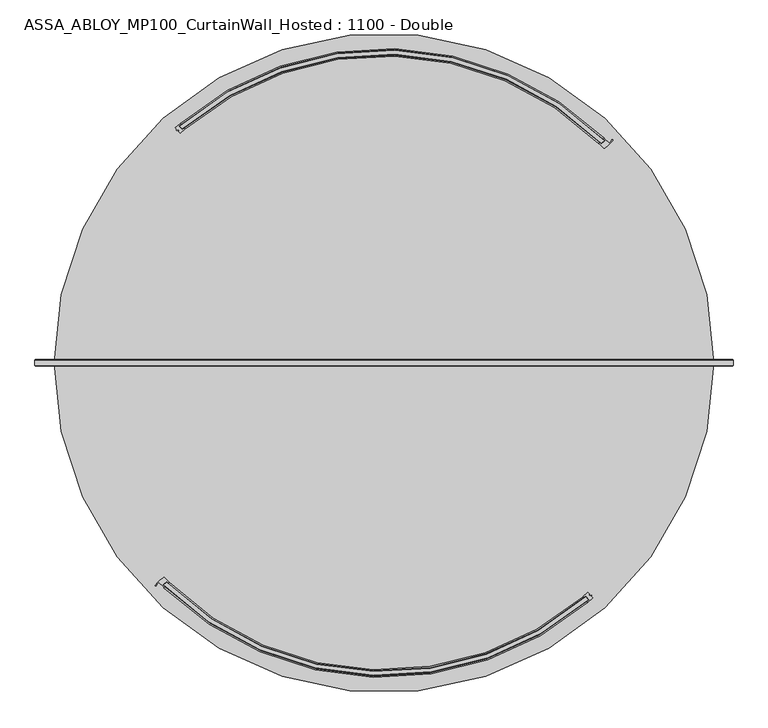
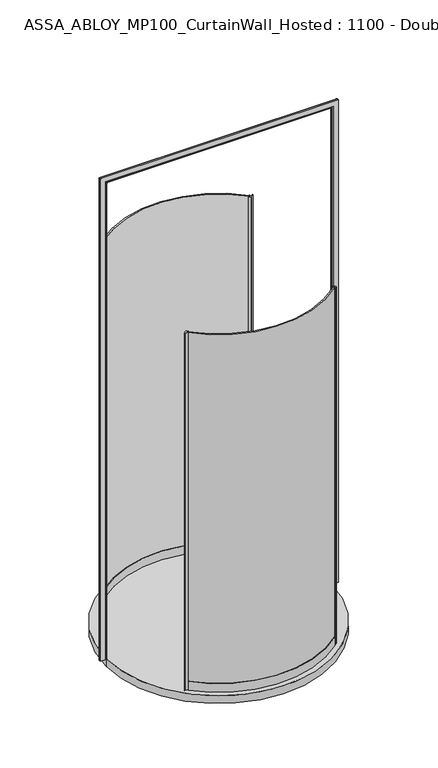
"""IFC4 building model written with IfcOpenShell, lengths in millimetres: plate geometry, ASSA_ABLOY_MP100_CurtainWall_Hosted : 1100 - Double."""

from ifc_helpers import new_model, si_unit, point, frame, origin, origin_with_axes, origin_2d, place, context, project, spatial, polyline, circle_curve, ellipse_curve, trimmed, segment, composite_curve, outline, extrude, source, transform, mapped, element, save
from ifc_brep_helpers import plane_surface, cylinder_surface, revolved_surface, advanced_brep


def assa_abloy_mp100_curtainwall_hosted_1100_double_17d88343(model_context):
    return source(origin(), model_context, "Body", "SolidModel", [
        extrude(outline(composite_curve([segment(trimmed(circle_curve(origin_2d(), 838.5), [point((-589.9937964, -595.8100119))], [point((547.3022385, -635.2499585))], True, "CARTESIAN"), True, "CONTINUOUS"), segment(polyline([(547.3022385, -635.2499585), (553.7856646, -642.8636619)]), True, "CONTINUOUS"), segment(trimmed(circle_curve(origin_2d(), 848.5), [point((553.7856646, -642.8636619))], [point((-596.9877233, -602.9576338))], False, "CARTESIAN"), True, "CONTINUOUS"), segment(polyline([(-596.9877233, -602.9576338), (-589.9937964, -595.8100119)]), True, "CONTINUOUS")], self_intersect=False)), origin_with_axes(), (0.0, 0.0, 1.0), 3000.0),
        extrude(outline(composite_curve([segment(polyline([(553.2153363, -623.4380817), (557.6356913, -628.629052), (555.7322968, -630.2498818), (558.0014585, -632.9146341), (562.4711305, -630.7907524), (563.189663, -631.6345491), (561.8437866, -633.5707587), (566.1846095, -638.6683317)]), True, "CONTINUOUS"), segment(trimmed(circle_curve(origin_2d(), 853.5), [point((566.1846095, -638.6683317))], [point((553.3513022, -649.8188874))], False, "CARTESIAN"), True, "CONTINUOUS"), segment(polyline([(553.3513022, -649.8188874), (551.4063064, -647.534814)]), True, "CONTINUOUS"), segment(trimmed(circle_curve(origin_2d(), 850.5), [point((551.4063064, -647.534814))], [point((556.7171345, -642.974558))], True, "CARTESIAN"), True, "CONTINUOUS"), segment(polyline([(556.7171345, -642.974558), (547.6401749, -632.3151816)]), True, "CONTINUOUS"), segment(trimmed(circle_curve(origin_2d(), 836.5), [point((547.6401749, -632.3151816))], [point((542.1769315, -637.005828))], False, "CARTESIAN"), True, "CONTINUOUS"), segment(polyline([(542.1769315, -637.005828), (540.3846636, -634.5917313)]), True, "CONTINUOUS"), segment(trimmed(circle_curve(origin_2d(), 833.5), [point((540.3846636, -634.5917313))], [point((553.2153363, -623.4380817))], True, "CARTESIAN"), True, "CONTINUOUS")], self_intersect=False)), origin_with_axes(), (0.0, 0.0, 1.0), 3000.0),
        advanced_brep(
        [(-589.9934713, -592.989238, 0.0), (-599.6948043, -603.085211, 0.0), (-594.6833962, -607.9727962, 0.0), (-596.7620171, -610.1359732, 0.0), (-610.6082601, -596.2698104, 0.0), (-617.7731984, -604.9617583, 0.0), (-620.3447483, -603.6458006, 0.0), (-598.4776156, -583.3597044, 0.0), (-594.7956112, -583.8583313, 0.0), (-582.9045441, -595.7147929, 0.0), (-584.9831651, -597.8779699, 0.0), (-589.9934713, -592.989238, 3000.0), (-584.9831651, -597.8779699, 3000.0), (-582.9045441, -595.7147929, 3000.0), (-594.7956112, -583.8583313, 3000.0), (-598.4776156, -583.3597044, 3000.0), (-620.3447483, -603.6458006, 3000.0), (-617.7870043, -604.9545448, 3000.0), (-610.6082601, -596.2698104, 3000.0), (-596.7620171, -610.1359732, 3000.0), (-594.6833962, -607.9727962, 3000.0), (-599.6948043, -603.085211, 3000.0)],
        [
            (0, 1),
            (1, 2, circle_curve(frame((-267.9934701, -267.9934701, 0.0), z_axis=(0.0, 0.0, 1.0), x_axis=(-0.707106781186553, 0.7071067811865419, 0.0)), 471.5)),
            (2, 3),
            (3, 4, circle_curve(frame((-267.9934701, -267.9934701, 0.0), z_axis=(0.0, 0.0, -1.0), x_axis=(-0.707106781186553, 0.7071067811865419, 0.0)), 474.5)),
            (4, 5, circle_curve(frame((-593.5900425, -617.597323, 0.0), z_axis=(0.0, 0.0, 1.0), x_axis=(-0.707106781186553, 0.7071067811865419, 0.0)), 27.285207)),
            (5, 6, circle_curve(frame((-619.060292, -604.289259, 0.0), z_axis=(0.0, 0.0, -1.0), x_axis=(-0.707106781186553, 0.7071067811865419, 0.0)), 1.4366164)),
            (6, 7, circle_curve(frame((-562.8967434, -643.6423847, 0.0), z_axis=(0.0, 0.0, -1.0), x_axis=(-0.707106781186553, 0.7071067811865419, 0.0)), 70.0)),
            (7, 8, circle_curve(frame((-596.9527211, -585.9432478, 0.0), z_axis=(0.0, 0.0, -1.0), x_axis=(-0.707106781186553, 0.7071067811865419, 0.0)), 3.0)),
            (8, 9, circle_curve(frame((-267.9934701, -267.9934701, 0.0), z_axis=(0.0, 0.0, 1.0), x_axis=(-0.707106781186553, 0.7071067811865419, 0.0)), 454.5)),
            (9, 10),
            (10, 0, circle_curve(frame((-267.9934701, -267.9934701, 0.0), z_axis=(0.0, 0.0, -1.0), x_axis=(-0.707106781186553, 0.7071067811865419, 0.0)), 457.5)),
            (11, 12, circle_curve(frame((-267.9934701, -267.9934701, 3000.0), z_axis=(0.0, 0.0, 1.0), x_axis=(-0.707106781186553, 0.7071067811865419, 0.0)), 457.5)),
            (12, 13),
            (13, 14, circle_curve(frame((-267.9934701, -267.9934701, 3000.0), z_axis=(0.0, 0.0, -1.0), x_axis=(-0.707106781186553, 0.7071067811865419, 0.0)), 454.5)),
            (14, 15, circle_curve(frame((-596.9527211, -585.9432478, 3000.0), z_axis=(0.0, 0.0, 1.0), x_axis=(-0.707106781186553, 0.7071067811865419, 0.0)), 3.0)),
            (15, 16, circle_curve(frame((-562.8967434, -643.6423847, 3000.0), z_axis=(0.0, 0.0, 1.0), x_axis=(-0.707106781186553, 0.7071067811865419, 0.0)), 70.0)),
            (16, 17, circle_curve(frame((-619.060292, -604.289259, 3000.0), z_axis=(0.0, 0.0, 1.0), x_axis=(-0.707106781186553, 0.7071067811865419, 0.0)), 1.4366164)),
            (17, 18, circle_curve(frame((-593.5900425, -617.597323, 3000.0), z_axis=(0.0, 0.0, -1.0), x_axis=(-0.707106781186553, 0.7071067811865419, 0.0)), 27.285207)),
            (18, 19, circle_curve(frame((-267.9934701, -267.9934701, 3000.0), z_axis=(0.0, 0.0, 1.0), x_axis=(-0.707106781186553, 0.7071067811865419, 0.0)), 474.5)),
            (19, 20),
            (20, 21, circle_curve(frame((-267.9934701, -267.9934701, 3000.0), z_axis=(0.0, 0.0, -1.0), x_axis=(-0.707106781186553, 0.7071067811865419, 0.0)), 471.5)),
            (21, 11),
            (0, 11),
            (21, 1),
            (20, 2),
            (19, 3),
            (18, 4),
            (8, 14),
            (13, 9),
            (12, 10),
            (17, 5),
            (16, 6),
            (15, 7),
        ],
        [
            plane_surface(frame((-589.3735021, -589.3735021, 0.0), z_axis=(0.0, 0.0, -1.0), x_axis=(-0.707106781186542, -0.7071067811865531, 0.0))),
            plane_surface(frame((-589.3735021, -589.3735021, 3000.0), z_axis=(0.0, 0.0, 1.0), x_axis=(-0.707106781186542, -0.7071067811865531, 0.0))),
            plane_surface(frame((-589.9934713, -592.989238, 0.0), z_axis=(0.7210590160944299, -0.692873650320845, 0.0), x_axis=(0.0, 0.0, 1.0))),
            revolved_surface(polyline([(-601.3943174294598, 65.40737722945448, 3000.0), (-601.3943174294598, 65.40737722945448, 0.0)]), (-267.9934701, -267.9934701, 0.0), (0.0, 0.0, 1.0)),
            plane_surface(frame((-594.6833962, -607.9727962, 0.0), z_axis=(0.7210590160945624, -0.6928736503207072, 0.0), x_axis=(0.0, 0.0, 1.0))),
            cylinder_surface(frame((-267.9934701, -267.9934701, 0.0), z_axis=(0.0, 0.0, -1.0), x_axis=(-0.707106781186553, 0.7071067811865419, 0.0)), 474.5),
            revolved_surface(polyline([(-589.3735021492884, 53.38656194928325, 3000.0), (-589.3735021492884, 53.38656194928325, 0.0)]), (-267.9934701, -267.9934701, 0.0), (0.0, 0.0, 1.0)),
            plane_surface(frame((-582.9045441, -595.7147929, 0.0), z_axis=(0.7210590160946411, -0.6928736503206254, 0.0), x_axis=(0.0, 0.0, 1.0))),
            cylinder_surface(frame((-267.9934701, -267.9934701, 0.0), z_axis=(0.0, 0.0, -1.0), x_axis=(-0.707106781186553, 0.7071067811865419, 0.0)), 457.5),
            revolved_surface(polyline([(-612.8835973957788, -598.3037681042215, 3000.0), (-612.8835973957788, -598.3037681042215, 0.0)]), (-593.5900425, -617.597323, 0.0), (0.0, 0.0, 1.0)),
            cylinder_surface(frame((-619.060292, -604.289259, 0.0), z_axis=(0.0, 0.0, -1.0), x_axis=(-0.707106781186553, 0.7071067811865419, 0.0)), 1.4366164),
            cylinder_surface(frame((-562.8967434, -643.6423847, 0.0), z_axis=(0.0, 0.0, -1.0), x_axis=(-0.707106781186553, 0.7071067811865419, 0.0)), 70.0),
            cylinder_surface(frame((-596.9527211, -585.9432478, 0.0), z_axis=(0.0, 0.0, -1.0), x_axis=(-0.707106781186553, 0.7071067811865419, 0.0)), 3.0),
        ],
        [
            (0, [[1, 2, 3, 4, 5, 6, 7, 8, 9, 10, 11]]),
            (1, [[12, 13, 14, 15, 16, 17, 18, 19, 20, 21, 22]]),
            (2, [[-1, 23, -22, 24]]),
            (3, [[-2, -24, -21, 25]]),
            (4, [[-3, -25, -20, 26]]),
            (5, [[-4, -26, -19, 27]]),
            (6, [[-9, 28, -14, 29]]),
            (7, [[-10, -29, -13, 30]]),
            (8, [[-11, -30, -12, -23]]),
            (9, [[-5, -27, -18, 31]]),
            (10, [[-6, -31, -17, 32]]),
            (11, [[-7, -32, -16, 33]]),
            (12, [[-8, -33, -15, -28]]),
        ],
    ),
        advanced_brep(
        [(-582.9335723, -595.743821, 73.0), (-582.9335723, -595.743821, 0.0), (-585.0317135, -597.8880699, 0.0), (-585.0317135, -597.8880699, 24.0), (-594.8230393, -607.8945648, 24.0), (-594.8230393, -607.8945648, 0.0), (-596.9211805, -610.0388137, 0.0), (-596.9211805, -610.0388137, 73.0), (-594.8230393, -607.8945648, 73.0), (-594.8230393, -607.8945648, 39.0), (-585.0317135, -597.8880699, 39.0), (-585.0317135, -597.8880699, 73.0), (540.3846636, -634.5917313, 73.0), (542.3296593, -636.8758047, 73.0), (542.3296593, -636.8758047, 39.0), (551.4063064, -647.534814, 39.0), (551.4063064, -647.534814, 73.0), (553.3513022, -649.8188874, 73.0), (553.3513022, -649.8188874, 0.0), (551.4063064, -647.534814, 0.0), (551.4063064, -647.534814, 24.0), (542.3296593, -636.8758047, 24.0), (542.3296593, -636.8758047, 0.0), (540.3846636, -634.5917313, 0.0)],
        [
            (0, 1),
            (1, 2),
            (2, 3),
            (3, 4),
            (4, 5),
            (5, 6),
            (6, 7),
            (7, 8),
            (8, 9),
            (9, 10),
            (10, 11),
            (11, 0),
            (12, 13),
            (13, 14),
            (14, 15),
            (15, 16),
            (16, 17),
            (17, 18),
            (18, 19),
            (19, 20),
            (20, 21),
            (21, 22),
            (22, 23),
            (23, 12),
            (23, 1, circle_curve(frame((0.0, 0.0, 0.0), z_axis=(0.0, 0.0, -1.0), x_axis=(-0.6993804106642412, -0.7147496353123363, 0.0)), 833.5)),
            (0, 12, circle_curve(frame((0.0, 0.0, 73.0), z_axis=(0.0, 0.0, 1.0), x_axis=(-0.6993804106642412, -0.7147496353123363, 0.0)), 833.5)),
            (22, 2, circle_curve(frame((0.0, 0.0, 0.0), z_axis=(0.0, 0.0, -1.0), x_axis=(-0.6993804106642412, -0.7147496353123363, 0.0)), 836.5)),
            (21, 3, circle_curve(frame((0.0, 0.0, 24.0), z_axis=(0.0, 0.0, -1.0), x_axis=(-0.6993804106642412, -0.7147496353123363, 0.0)), 836.5)),
            (20, 4, circle_curve(frame((0.0, 0.0, 24.0), z_axis=(0.0, 0.0, -1.0), x_axis=(-0.6993804106642412, -0.7147496353123363, 0.0)), 850.5)),
            (19, 5, circle_curve(frame((0.0, 0.0, 0.0), z_axis=(0.0, 0.0, -1.0), x_axis=(-0.6993804106642412, -0.7147496353123363, 0.0)), 850.5)),
            (18, 6, circle_curve(frame((0.0, 0.0, 0.0), z_axis=(0.0, 0.0, -1.0), x_axis=(-0.6993804106642412, -0.7147496353123363, 0.0)), 853.5)),
            (17, 7, circle_curve(frame((0.0, 0.0, 73.0), z_axis=(0.0, 0.0, -1.0), x_axis=(-0.6993804106642412, -0.7147496353123363, 0.0)), 853.5)),
            (16, 8, circle_curve(frame((0.0, 0.0, 73.0), z_axis=(0.0, 0.0, -1.0), x_axis=(-0.6993804106642412, -0.7147496353123363, 0.0)), 850.5)),
            (15, 9, circle_curve(frame((0.0, 0.0, 39.0), z_axis=(0.0, 0.0, -1.0), x_axis=(-0.6993804106642412, -0.7147496353123363, 0.0)), 850.5)),
            (14, 10, circle_curve(frame((0.0, 0.0, 39.0), z_axis=(0.0, 0.0, -1.0), x_axis=(-0.6993804106642412, -0.7147496353123363, 0.0)), 836.5)),
            (13, 11, circle_curve(frame((0.0, 0.0, 73.0), z_axis=(0.0, 0.0, -1.0), x_axis=(-0.6993804106642412, -0.7147496353123363, 0.0)), 836.5)),
        ],
        [
            plane_surface(frame((-582.9335723, -595.743821, 0.0), z_axis=(-0.7147496353123362, 0.6993804106642411, 0.0), x_axis=(0.0, 0.0, 1.0))),
            plane_surface(frame((540.3846636, -634.5917313, 0.0), z_axis=(0.7613578059617314, 0.6483319298793933, 0.0), x_axis=(0.0, 0.0, 1.0))),
            revolved_surface(polyline([(-582.933572288645, -595.7438210328323, 73.00000000000003), (-582.933572288645, -595.7438210328323, 0.0)]), (0.0, 0.0, 0.0), (0.0, 0.0, 1.0000000000000002)),
            plane_surface(frame((0.0, 0.0, 0.0), z_axis=(0.0, 0.0, -1.0), x_axis=(-0.6993804106642411, -0.7147496353123362, 0.0))),
            cylinder_surface(frame((0.0, 0.0, 0.0), z_axis=(0.0, 0.0, 1.0000000000000002), x_axis=(-0.6993804106642412, -0.7147496353123363, 0.0)), 836.5),
            plane_surface(frame((0.0, 0.0, 24.0), z_axis=(0.0, 0.0, -1.0), x_axis=(-0.6993804106642411, -0.7147496353123362, 0.0))),
            revolved_surface(polyline([(-594.8230392699371, -607.894564833142, 24.000000000000014), (-594.8230392699371, -607.894564833142, 0.0)]), (0.0, 0.0, 0.0), (0.0, 0.0, 1.0000000000000002)),
            cylinder_surface(frame((0.0, 0.0, 0.0), z_axis=(0.0, 0.0, 1.0000000000000002), x_axis=(-0.6993804106642412, -0.7147496353123363, 0.0)), 853.5),
            plane_surface(frame((0.0, 0.0, 73.0), z_axis=(0.0, 0.0, 1.0), x_axis=(-0.6993804106642411, -0.7147496353123362, 0.0))),
            revolved_surface(polyline([(-594.8230392699371, -607.894564833142, 73.00000000000003), (-594.8230392699371, -607.894564833142, 39.000000000000014)]), (0.0, 0.0, 0.0), (0.0, 0.0, 1.0000000000000002)),
            plane_surface(frame((0.0, 0.0, 39.0), z_axis=(0.0, 0.0, 1.0), x_axis=(-0.6993804106642411, -0.7147496353123362, 0.0))),
        ],
        [
            (0, [[1, 2, 3, 4, 5, 6, 7, 8, 9, 10, 11, 12]]),
            (1, [[13, 14, 15, 16, 17, 18, 19, 20, 21, 22, 23, 24]]),
            (2, [[25, -1, 26, -24]]),
            (3, [[27, -2, -25, -23]]),
            (4, [[28, -3, -27, -22]]),
            (5, [[29, -4, -28, -21]]),
            (6, [[30, -5, -29, -20]]),
            (3, [[31, -6, -30, -19]]),
            (7, [[32, -7, -31, -18]]),
            (8, [[33, -8, -32, -17]]),
            (9, [[34, -9, -33, -16]]),
            (10, [[35, -10, -34, -15]]),
            (4, [[36, -11, -35, -14]]),
            (8, [[-26, -12, -36, -13]]),
        ],
    ),
        extrude(outline(composite_curve([segment(trimmed(circle_curve(origin_2d(), 838.5), [point((589.9937964, 595.8100119))], [point((-547.3022385, 635.2499584))], True, "CARTESIAN"), True, "CONTINUOUS"), segment(polyline([(-547.3022385, 635.2499584), (-553.7856646, 642.8636619)]), True, "CONTINUOUS"), segment(trimmed(circle_curve(origin_2d(), 848.5), [point((-553.7856646, 642.8636619))], [point((596.9877233, 602.9576338))], False, "CARTESIAN"), True, "CONTINUOUS"), segment(polyline([(596.9877233, 602.9576338), (589.9937964, 595.8100119)]), True, "CONTINUOUS")], self_intersect=False)), origin_with_axes(), (0.0, 0.0, 1.0), 3000.0),
        extrude(outline(composite_curve([segment(polyline([(-553.2153363, 623.4380817), (-557.6356913, 628.629052), (-555.7322968, 630.2498818), (-558.0014585, 632.9146341), (-562.4711305, 630.7907524), (-563.189663, 631.6345491), (-561.8437866, 633.5707587), (-566.1846095, 638.6683317)]), True, "CONTINUOUS"), segment(trimmed(circle_curve(origin_2d(), 853.5), [point((-566.1846095, 638.6683317))], [point((-553.3513022, 649.8188874))], False, "CARTESIAN"), True, "CONTINUOUS"), segment(polyline([(-553.3513022, 649.8188874), (-551.4063064, 647.534814)]), True, "CONTINUOUS"), segment(trimmed(circle_curve(origin_2d(), 850.5), [point((-551.4063064, 647.534814))], [point((-556.7171345, 642.974558))], True, "CARTESIAN"), True, "CONTINUOUS"), segment(polyline([(-556.7171345, 642.974558), (-547.6401749, 632.3151816)]), True, "CONTINUOUS"), segment(trimmed(circle_curve(origin_2d(), 836.5), [point((-547.6401749, 632.3151816))], [point((-542.1769315, 637.005828))], False, "CARTESIAN"), True, "CONTINUOUS"), segment(polyline([(-542.1769315, 637.005828), (-540.3846636, 634.5917313)]), True, "CONTINUOUS"), segment(trimmed(circle_curve(origin_2d(), 833.5), [point((-540.3846636, 634.5917313))], [point((-553.2153363, 623.4380817))], True, "CARTESIAN"), True, "CONTINUOUS")], self_intersect=False)), origin_with_axes(), (0.0, 0.0, 1.0), 3000.0),
        advanced_brep(
        [(589.9934713, 592.989238, 0.0), (599.6948043, 603.085211, 0.0), (594.6833962, 607.9727962, 0.0), (596.7620171, 610.1359732, 0.0), (610.6082601, 596.2698104, 0.0), (617.7731984, 604.9617583, 0.0), (620.3447483, 603.6458006, 0.0), (598.4776156, 583.3597044, 0.0), (594.7956112, 583.8583313, 0.0), (582.9045441, 595.7147929, 0.0), (584.9831651, 597.8779699, 0.0), (589.9934713, 592.989238, 3000.0), (584.9831651, 597.8779699, 3000.0), (582.9045441, 595.7147929, 3000.0), (594.7956112, 583.8583313, 3000.0), (598.4776156, 583.3597044, 3000.0), (620.3447483, 603.6458006, 3000.0), (617.7870043, 604.9545448, 3000.0), (610.6082601, 596.2698104, 3000.0), (596.7620171, 610.1359732, 3000.0), (594.6833962, 607.9727962, 3000.0), (599.6948043, 603.085211, 3000.0)],
        [
            (0, 1),
            (1, 2, circle_curve(frame((267.9934701, 267.9934701, 0.0), z_axis=(0.0, 0.0, 1.0), x_axis=(0.7071067811865525, -0.7071067811865417, 0.0)), 471.5)),
            (2, 3),
            (3, 4, circle_curve(frame((267.9934701, 267.9934701, 0.0), z_axis=(0.0, 0.0, -1.0), x_axis=(0.7071067811865525, -0.7071067811865417, 0.0)), 474.5)),
            (4, 5, circle_curve(frame((593.5900425, 617.597323, 0.0), z_axis=(0.0, 0.0, 1.0), x_axis=(0.7071067811865525, -0.7071067811865417, 0.0)), 27.285207)),
            (5, 6, circle_curve(frame((619.060292, 604.289259, 0.0), z_axis=(0.0, 0.0, -1.0), x_axis=(0.7071067811865525, -0.7071067811865417, 0.0)), 1.4366164)),
            (6, 7, circle_curve(frame((562.8967434, 643.6423847, 0.0), z_axis=(0.0, 0.0, -1.0), x_axis=(0.7071067811865525, -0.7071067811865417, 0.0)), 70.0)),
            (7, 8, circle_curve(frame((596.9527211, 585.9432478, 0.0), z_axis=(0.0, 0.0, -1.0), x_axis=(0.7071067811865525, -0.7071067811865417, 0.0)), 3.0)),
            (8, 9, circle_curve(frame((267.9934701, 267.9934701, 0.0), z_axis=(0.0, 0.0, 1.0), x_axis=(0.7071067811865525, -0.7071067811865417, 0.0)), 454.5)),
            (9, 10),
            (10, 0, circle_curve(frame((267.9934701, 267.9934701, 0.0), z_axis=(0.0, 0.0, -1.0), x_axis=(0.7071067811865525, -0.7071067811865417, 0.0)), 457.5)),
            (11, 12, circle_curve(frame((267.9934701, 267.9934701, 3000.0), z_axis=(0.0, 0.0, 1.0), x_axis=(0.7071067811865525, -0.7071067811865417, 0.0)), 457.5)),
            (12, 13),
            (13, 14, circle_curve(frame((267.9934701, 267.9934701, 3000.0), z_axis=(0.0, 0.0, -1.0), x_axis=(0.7071067811865525, -0.7071067811865417, 0.0)), 454.5)),
            (14, 15, circle_curve(frame((596.9527211, 585.9432478, 3000.0), z_axis=(0.0, 0.0, 1.0), x_axis=(0.7071067811865525, -0.7071067811865417, 0.0)), 3.0)),
            (15, 16, circle_curve(frame((562.8967434, 643.6423847, 3000.0), z_axis=(0.0, 0.0, 1.0), x_axis=(0.7071067811865525, -0.7071067811865417, 0.0)), 70.0)),
            (16, 17, circle_curve(frame((619.060292, 604.289259, 3000.0), z_axis=(0.0, 0.0, 1.0), x_axis=(0.7071067811865525, -0.7071067811865417, 0.0)), 1.4366164)),
            (17, 18, circle_curve(frame((593.5900425, 617.597323, 3000.0), z_axis=(0.0, 0.0, -1.0), x_axis=(0.7071067811865525, -0.7071067811865417, 0.0)), 27.285207)),
            (18, 19, circle_curve(frame((267.9934701, 267.9934701, 3000.0), z_axis=(0.0, 0.0, 1.0), x_axis=(0.7071067811865525, -0.7071067811865417, 0.0)), 474.5)),
            (19, 20),
            (20, 21, circle_curve(frame((267.9934701, 267.9934701, 3000.0), z_axis=(0.0, 0.0, -1.0), x_axis=(0.7071067811865525, -0.7071067811865417, 0.0)), 471.5)),
            (21, 11),
            (0, 11),
            (21, 1),
            (20, 2),
            (19, 3),
            (18, 4),
            (8, 14),
            (13, 9),
            (12, 10),
            (17, 5),
            (16, 6),
            (15, 7),
        ],
        [
            plane_surface(frame((589.3735021, 589.3735021, 0.0), z_axis=(0.0, 0.0, -1.0), x_axis=(0.7071067811865421, 0.7071067811865529, 0.0))),
            plane_surface(frame((589.3735021, 589.3735021, 3000.0), z_axis=(0.0, 0.0, 1.0), x_axis=(0.7071067811865421, 0.7071067811865529, 0.0))),
            plane_surface(frame((589.9934713, 592.989238, 0.0), z_axis=(-0.7210590160944298, 0.6928736503208452, 0.0), x_axis=(0.0, 0.0, 1.0))),
            revolved_surface(polyline([(601.3943174294595, -65.40737722945437, 3000.0), (601.3943174294595, -65.40737722945437, 0.0)]), (267.9934701, 267.9934701, 0.0), (0.0, 0.0, 1.0)),
            plane_surface(frame((594.6833962, 607.9727962, 0.0), z_axis=(-0.7210590160945622, 0.6928736503207075, 0.0), x_axis=(0.0, 0.0, 1.0))),
            cylinder_surface(frame((267.9934701, 267.9934701, 0.0), z_axis=(0.0, 0.0, -1.0), x_axis=(0.7071067811865525, -0.7071067811865417, 0.0)), 474.5),
            revolved_surface(polyline([(589.3735021492881, -53.38656194928319, 3000.0), (589.3735021492881, -53.38656194928319, 0.0)]), (267.9934701, 267.9934701, 0.0), (0.0, 0.0, 1.0)),
            plane_surface(frame((582.9045441, 595.7147929, 0.0), z_axis=(-0.7210590160946408, 0.6928736503206255, 0.0), x_axis=(0.0, 0.0, 1.0))),
            cylinder_surface(frame((267.9934701, 267.9934701, 0.0), z_axis=(0.0, 0.0, -1.0), x_axis=(0.7071067811865525, -0.7071067811865417, 0.0)), 457.5),
            revolved_surface(polyline([(612.8835973957788, 598.3037681042215, 3000.0), (612.8835973957788, 598.3037681042215, 0.0)]), (593.5900425, 617.597323, 0.0), (0.0, 0.0, 1.0)),
            cylinder_surface(frame((619.060292, 604.289259, 0.0), z_axis=(0.0, 0.0, -1.0), x_axis=(0.7071067811865525, -0.7071067811865417, 0.0)), 1.4366164),
            cylinder_surface(frame((562.8967434, 643.6423847, 0.0), z_axis=(0.0, 0.0, -1.0), x_axis=(0.7071067811865525, -0.7071067811865417, 0.0)), 70.0),
            cylinder_surface(frame((596.9527211, 585.9432478, 0.0), z_axis=(0.0, 0.0, -1.0), x_axis=(0.7071067811865525, -0.7071067811865417, 0.0)), 3.0),
        ],
        [
            (0, [[1, 2, 3, 4, 5, 6, 7, 8, 9, 10, 11]]),
            (1, [[12, 13, 14, 15, 16, 17, 18, 19, 20, 21, 22]]),
            (2, [[-1, 23, -22, 24]]),
            (3, [[-2, -24, -21, 25]]),
            (4, [[-3, -25, -20, 26]]),
            (5, [[-4, -26, -19, 27]]),
            (6, [[-9, 28, -14, 29]]),
            (7, [[-10, -29, -13, 30]]),
            (8, [[-11, -30, -12, -23]]),
            (9, [[-5, -27, -18, 31]]),
            (10, [[-6, -31, -17, 32]]),
            (11, [[-7, -32, -16, 33]]),
            (12, [[-8, -33, -15, -28]]),
        ],
    ),
        advanced_brep(
        [(582.9335723, 595.743821, 73.0), (582.9335723, 595.743821, 0.0), (585.0317135, 597.8880699, 0.0), (585.0317135, 597.8880699, 24.0), (594.8230393, 607.8945648, 24.0), (594.8230393, 607.8945648, 0.0), (596.9211805, 610.0388137, 0.0), (596.9211805, 610.0388137, 73.0), (594.8230393, 607.8945648, 73.0), (594.8230393, 607.8945648, 39.0), (585.0317135, 597.8880699, 39.0), (585.0317135, 597.8880699, 73.0), (-540.3846636, 634.5917313, 73.0), (-542.3296593, 636.8758047, 73.0), (-542.3296593, 636.8758047, 39.0), (-551.4063064, 647.534814, 39.0), (-551.4063064, 647.534814, 73.0), (-553.3513022, 649.8188874, 73.0), (-553.3513022, 649.8188874, 0.0), (-551.4063064, 647.534814, 0.0), (-551.4063064, 647.534814, 24.0), (-542.3296593, 636.8758047, 24.0), (-542.3296593, 636.8758047, 0.0), (-540.3846636, 634.5917313, 0.0)],
        [
            (0, 1),
            (1, 2),
            (2, 3),
            (3, 4),
            (4, 5),
            (5, 6),
            (6, 7),
            (7, 8),
            (8, 9),
            (9, 10),
            (10, 11),
            (11, 0),
            (12, 13),
            (13, 14),
            (14, 15),
            (15, 16),
            (16, 17),
            (17, 18),
            (18, 19),
            (19, 20),
            (20, 21),
            (21, 22),
            (22, 23),
            (23, 12),
            (23, 1, circle_curve(frame((0.0, 0.0, 0.0), z_axis=(0.0, 0.0, -1.0), x_axis=(0.699380410664241, 0.7147496353123357, 0.0)), 833.5)),
            (0, 12, circle_curve(frame((0.0, 0.0, 73.0), z_axis=(0.0, 0.0, 1.0), x_axis=(0.699380410664241, 0.7147496353123357, 0.0)), 833.5)),
            (22, 2, circle_curve(frame((0.0, 0.0, 0.0), z_axis=(0.0, 0.0, -1.0), x_axis=(0.699380410664241, 0.7147496353123357, 0.0)), 836.5)),
            (21, 3, circle_curve(frame((0.0, 0.0, 24.0), z_axis=(0.0, 0.0, -1.0), x_axis=(0.699380410664241, 0.7147496353123357, 0.0)), 836.5)),
            (20, 4, circle_curve(frame((0.0, 0.0, 24.0), z_axis=(0.0, 0.0, -1.0), x_axis=(0.699380410664241, 0.7147496353123357, 0.0)), 850.5)),
            (19, 5, circle_curve(frame((0.0, 0.0, 0.0), z_axis=(0.0, 0.0, -1.0), x_axis=(0.699380410664241, 0.7147496353123357, 0.0)), 850.5)),
            (18, 6, circle_curve(frame((0.0, 0.0, 0.0), z_axis=(0.0, 0.0, -1.0), x_axis=(0.699380410664241, 0.7147496353123357, 0.0)), 853.5)),
            (17, 7, circle_curve(frame((0.0, 0.0, 73.0), z_axis=(0.0, 0.0, -1.0), x_axis=(0.699380410664241, 0.7147496353123357, 0.0)), 853.5)),
            (16, 8, circle_curve(frame((0.0, 0.0, 73.0), z_axis=(0.0, 0.0, -1.0), x_axis=(0.699380410664241, 0.7147496353123357, 0.0)), 850.5)),
            (15, 9, circle_curve(frame((0.0, 0.0, 39.0), z_axis=(0.0, 0.0, -1.0), x_axis=(0.699380410664241, 0.7147496353123357, 0.0)), 850.5)),
            (14, 10, circle_curve(frame((0.0, 0.0, 39.0), z_axis=(0.0, 0.0, -1.0), x_axis=(0.699380410664241, 0.7147496353123357, 0.0)), 836.5)),
            (13, 11, circle_curve(frame((0.0, 0.0, 73.0), z_axis=(0.0, 0.0, -1.0), x_axis=(0.699380410664241, 0.7147496353123357, 0.0)), 836.5)),
        ],
        [
            plane_surface(frame((582.9335723, 595.743821, 0.0), z_axis=(0.714749635312336, -0.6993804106642412, 0.0), x_axis=(0.0, 0.0, 1.0))),
            plane_surface(frame((-540.3846636, 634.5917313, 0.0), z_axis=(-0.7613578059617316, -0.648331929879393, 0.0), x_axis=(0.0, 0.0, 1.0))),
            revolved_surface(polyline([(582.9335722886449, 595.7438210328318, 73.00000000000003), (582.9335722886449, 595.7438210328318, 0.0)]), (0.0, 0.0, 0.0), (0.0, 0.0, 1.0000000000000002)),
            plane_surface(frame((0.0, 0.0, 0.0), z_axis=(0.0, 0.0, -1.0), x_axis=(0.6993804106642412, 0.714749635312336, 0.0))),
            cylinder_surface(frame((0.0, 0.0, 0.0), z_axis=(0.0, 0.0, 1.0000000000000002), x_axis=(0.699380410664241, 0.7147496353123357, 0.0)), 836.5),
            plane_surface(frame((0.0, 0.0, 24.0), z_axis=(0.0, 0.0, -1.0), x_axis=(0.6993804106642412, 0.714749635312336, 0.0))),
            revolved_surface(polyline([(594.8230392699369, 607.8945648331415, 24.000000000000014), (594.8230392699369, 607.8945648331415, 0.0)]), (0.0, 0.0, 0.0), (0.0, 0.0, 1.0000000000000002)),
            cylinder_surface(frame((0.0, 0.0, 0.0), z_axis=(0.0, 0.0, 1.0000000000000002), x_axis=(0.699380410664241, 0.7147496353123357, 0.0)), 853.5),
            plane_surface(frame((0.0, 0.0, 73.0), z_axis=(0.0, 0.0, 1.0), x_axis=(0.6993804106642412, 0.714749635312336, 0.0))),
            revolved_surface(polyline([(594.8230392699369, 607.8945648331415, 73.00000000000003), (594.8230392699369, 607.8945648331415, 39.000000000000014)]), (0.0, 0.0, 0.0), (0.0, 0.0, 1.0000000000000002)),
            plane_surface(frame((0.0, 0.0, 39.0), z_axis=(0.0, 0.0, 1.0), x_axis=(0.6993804106642412, 0.714749635312336, 0.0))),
        ],
        [
            (0, [[1, 2, 3, 4, 5, 6, 7, 8, 9, 10, 11, 12]]),
            (1, [[13, 14, 15, 16, 17, 18, 19, 20, 21, 22, 23, 24]]),
            (2, [[25, -1, 26, -24]]),
            (3, [[27, -2, -25, -23]]),
            (4, [[28, -3, -27, -22]]),
            (5, [[29, -4, -28, -21]]),
            (6, [[30, -5, -29, -20]]),
            (3, [[31, -6, -30, -19]]),
            (7, [[32, -7, -31, -18]]),
            (8, [[33, -8, -32, -17]]),
            (9, [[34, -9, -33, -16]]),
            (10, [[35, -10, -34, -15]]),
            (4, [[36, -11, -35, -14]]),
            (8, [[-26, -12, -36, -13]]),
        ],
    ),
        extrude(outline(composite_curve([segment(trimmed(circle_curve(origin_2d(), 895.0), [point((-895.0, 0.0))], [point((895.0, 0.0))], False, "CARTESIAN"), True, "CONTINUOUS"), segment(trimmed(circle_curve(origin_2d(), 895.0), [point((895.0, 0.0))], [point((-895.0, 0.0))], False, "CARTESIAN"), True, "CONTINUOUS")], self_intersect=False)), frame((0.0, 0.0, -65.0), z_axis=(0.0, 0.0, 1.0), x_axis=(1.0, 0.0, 0.0)), (0.0, 0.0, 1.0), 65.0),
        advanced_brep(
        [(895.9, 6.0, 0.0), (898.1980762, 6.0, 0.0), (899.0980762, 5.1, 0.0), (899.0980762, -5.1, 0.0), (898.1980762, -6.0, 0.0), (895.9, -6.0, 0.0), (895.0, -5.1, 0.0), (895.0, 5.1, 0.0), (-895.9, 6.0, 0.0), (-895.0, 5.1, 0.0), (-895.0, -5.1, 0.0), (-895.9, -6.0, 0.0), (-898.1980762, -6.0, 0.0), (-899.0980762, -5.1, 0.0), (-899.0980762, 5.1, 0.0), (-898.1980762, 6.0, 0.0), (895.9, 6.0, 4001.8), (-895.9, 6.0, 4001.8), (-898.1980762, 6.0, 4004.0980762), (898.1980762, 6.0, 4004.0980762), (899.0980762, 5.1, 4004.9980762), (899.0980762, -5.1, 4004.9980762), (898.1980762, -6.0, 4004.0980762), (-898.1980762, -6.0, 4004.0980762), (-895.9, -6.0, 4001.8), (895.9, -6.0, 4001.8), (895.0, -5.1, 4000.9), (895.0, 5.1, 4000.9), (-899.0980762, 5.1, 4004.9980762), (-899.0980762, -5.1, 4004.9980762), (-895.0, -5.1, 4000.9), (-895.0, 5.1, 4000.9)],
        [
            (0, 1),
            (1, 2, circle_curve(frame((898.1980762, 5.1, 0.0), z_axis=(0.0, 0.0, -1.0), x_axis=(-1.0, 0.0, 0.0)), 0.9)),
            (2, 3),
            (3, 4, circle_curve(frame((898.1980762, -5.1, 0.0), z_axis=(0.0, 0.0, -1.0), x_axis=(-1.0, 0.0, 0.0)), 0.9)),
            (4, 5),
            (5, 6, circle_curve(frame((895.9, -5.1, 0.0), z_axis=(0.0, 0.0, -1.0), x_axis=(-1.0, 0.0, 0.0)), 0.9)),
            (6, 7),
            (7, 0, circle_curve(frame((895.9, 5.1, 0.0), z_axis=(0.0, 0.0, -1.0), x_axis=(-1.0, 0.0, 0.0)), 0.9)),
            (8, 9, circle_curve(frame((-895.9, 5.1, 0.0), z_axis=(0.0, 0.0, -1.0), x_axis=(1.0, 0.0, 0.0)), 0.9)),
            (9, 10),
            (10, 11, circle_curve(frame((-895.9, -5.1, 0.0), z_axis=(0.0, 0.0, -1.0), x_axis=(1.0, 0.0, 0.0)), 0.9)),
            (11, 12),
            (12, 13, circle_curve(frame((-898.1980762, -5.1, 0.0), z_axis=(0.0, 0.0, -1.0), x_axis=(1.0, 0.0, 0.0)), 0.9)),
            (13, 14),
            (14, 15, circle_curve(frame((-898.1980762, 5.1, 0.0), z_axis=(0.0, 0.0, -1.0), x_axis=(1.0, 0.0, 0.0)), 0.9)),
            (15, 8),
            (0, 16),
            (16, 17),
            (17, 8),
            (15, 18),
            (18, 19),
            (19, 1),
            (19, 20, ellipse_curve(frame((898.1980762, 5.1, 4004.0980762), z_axis=(0.7071067811865475, 0.0, -0.7071067811865475), x_axis=(-0.7071067811865474, 0.0, -0.7071067811865476)), 1.2727922, 0.9)),
            (20, 2),
            (20, 21),
            (21, 3),
            (21, 22, ellipse_curve(frame((898.1980762, -5.1, 4004.0980762), z_axis=(0.7071067811865475, 0.0, -0.7071067811865475), x_axis=(-0.7071067811865474, 0.0, -0.7071067811865476)), 1.2727922, 0.9)),
            (22, 4),
            (22, 23),
            (23, 12),
            (11, 24),
            (24, 25),
            (25, 5),
            (25, 26, ellipse_curve(frame((895.9, -5.1, 4001.8), z_axis=(0.7071067811865475, 0.0, -0.7071067811865475), x_axis=(-0.7071067811865474, 0.0, -0.7071067811865476)), 1.2727922, 0.9)),
            (26, 6),
            (26, 27),
            (27, 7),
            (27, 16, ellipse_curve(frame((895.9, 5.1, 4001.8), z_axis=(0.7071067811865475, 0.0, -0.7071067811865475), x_axis=(-0.7071067811865474, 0.0, -0.7071067811865476)), 1.2727922, 0.9)),
            (18, 28, ellipse_curve(frame((-898.1980762, 5.1, 4004.0980762), z_axis=(0.7071067811865475, 0.0, 0.7071067811865475), x_axis=(0.7071067811865476, 0.0, -0.7071067811865474)), 1.2727922, 0.9)),
            (28, 20),
            (28, 29),
            (29, 21),
            (29, 23, ellipse_curve(frame((-898.1980762, -5.1, 4004.0980762), z_axis=(0.7071067811865475, 0.0, 0.7071067811865475), x_axis=(0.7071067811865476, 0.0, -0.7071067811865474)), 1.2727922, 0.9)),
            (24, 30, ellipse_curve(frame((-895.9, -5.1, 4001.8), z_axis=(0.7071067811865475, 0.0, 0.7071067811865475), x_axis=(0.7071067811865476, 0.0, -0.7071067811865474)), 1.2727922, 0.9)),
            (30, 26),
            (30, 31),
            (31, 27),
            (31, 17, ellipse_curve(frame((-895.9, 5.1, 4001.8), z_axis=(0.7071067811865475, 0.0, 0.7071067811865475), x_axis=(0.7071067811865476, 0.0, -0.7071067811865474)), 1.2727922, 0.9)),
            (14, 28),
            (13, 29),
            (10, 30),
            (9, 31),
        ],
        [
            plane_surface(frame((899.1, 0.0, 0.0), z_axis=(0.0, 0.0, -1.0), x_axis=(0.0, -1.0, 0.0))),
            plane_surface(frame((-899.1, 0.0, 0.0), z_axis=(0.0, 0.0, -1.0), x_axis=(0.0, -1.0, 0.0))),
            plane_surface(frame((895.9, 6.0, 0.0), z_axis=(0.0, 1.0, 0.0), x_axis=(0.0, 0.0, 1.0))),
            cylinder_surface(frame((898.1980762, 5.1, 0.0), z_axis=(0.0, 0.0, -1.0), x_axis=(-1.0, 0.0, 0.0)), 0.9),
            plane_surface(frame((899.0980762, 5.1, 0.0), z_axis=(1.0, 0.0, 0.0), x_axis=(0.0, 0.0, 1.0))),
            cylinder_surface(frame((898.1980762, -5.1, 0.0), z_axis=(0.0, 0.0, -1.0), x_axis=(-1.0, 0.0, 0.0)), 0.9),
            plane_surface(frame((898.1980762, -6.0, 0.0), z_axis=(0.0, -1.0, 0.0), x_axis=(0.0, 0.0, 1.0))),
            cylinder_surface(frame((895.9, -5.1, 0.0), z_axis=(0.0, 0.0, -1.0), x_axis=(-1.0, 0.0, 0.0)), 0.9),
            plane_surface(frame((895.0, -5.1, 0.0), z_axis=(-1.0, 0.0, 0.0), x_axis=(0.0, 0.0, 1.0))),
            cylinder_surface(frame((895.9, 5.1, 0.0), z_axis=(0.0, 0.0, -1.0), x_axis=(-1.0, 0.0, 0.0)), 0.9),
            cylinder_surface(frame((899.1, 5.1, 4004.0980762), z_axis=(1.0, 0.0, 0.0), x_axis=(0.0, 0.0, -1.0)), 0.9),
            plane_surface(frame((899.0980762, 5.1, 4004.9980762), z_axis=(0.0, 0.0, 1.0), x_axis=(-1.0, 0.0, 0.0))),
            cylinder_surface(frame((899.1, -5.1, 4004.0980762), z_axis=(1.0, 0.0, 0.0), x_axis=(0.0, 0.0, -1.0)), 0.9),
            cylinder_surface(frame((899.1, -5.1, 4001.8), z_axis=(1.0, 0.0, 0.0), x_axis=(0.0, 0.0, -1.0)), 0.9),
            plane_surface(frame((895.0, -5.1, 4000.9), z_axis=(0.0, 0.0, -1.0), x_axis=(-1.0, 0.0, 0.0))),
            cylinder_surface(frame((899.1, 5.1, 4001.8), z_axis=(1.0, 0.0, 0.0), x_axis=(0.0, 0.0, -1.0)), 0.9),
            cylinder_surface(frame((-898.1980762, 5.1, 4005.0), z_axis=(0.0, 0.0, 1.0), x_axis=(1.0, 0.0, 0.0)), 0.9),
            plane_surface(frame((-899.0980762, 5.1, 4004.9980762), z_axis=(-1.0, 0.0, 0.0), x_axis=(0.0, 0.0, -1.0))),
            cylinder_surface(frame((-898.1980762, -5.1, 4005.0), z_axis=(0.0, 0.0, 1.0), x_axis=(1.0, 0.0, 0.0)), 0.9),
            cylinder_surface(frame((-895.9, -5.1, 4005.0), z_axis=(0.0, 0.0, 1.0), x_axis=(1.0, 0.0, 0.0)), 0.9),
            plane_surface(frame((-895.0, -5.1, 4000.9), z_axis=(1.0, 0.0, 0.0), x_axis=(0.0, 0.0, -1.0))),
            cylinder_surface(frame((-895.9, 5.1, 4005.0), z_axis=(0.0, 0.0, 1.0), x_axis=(1.0, 0.0, 0.0)), 0.9),
        ],
        [
            (0, [[1, 2, 3, 4, 5, 6, 7, 8]]),
            (1, [[9, 10, 11, 12, 13, 14, 15, 16]]),
            (2, [[-1, 17, 18, 19, -16, 20, 21, 22]]),
            (3, [[-2, -22, 23, 24]]),
            (4, [[-3, -24, 25, 26]]),
            (5, [[-4, -26, 27, 28]]),
            (6, [[-5, -28, 29, 30, -12, 31, 32, 33]]),
            (7, [[-6, -33, 34, 35]]),
            (8, [[-7, -35, 36, 37]]),
            (9, [[-8, -37, 38, -17]]),
            (10, [[-23, -21, 39, 40]]),
            (11, [[-25, -40, 41, 42]]),
            (12, [[-27, -42, 43, -29]]),
            (13, [[-34, -32, 44, 45]]),
            (14, [[-36, -45, 46, 47]]),
            (15, [[-38, -47, 48, -18]]),
            (16, [[-39, -20, -15, 49]]),
            (17, [[-41, -49, -14, 50]]),
            (18, [[-43, -50, -13, -30]]),
            (19, [[-44, -31, -11, 51]]),
            (20, [[-46, -51, -10, 52]]),
            (21, [[-48, -52, -9, -19]]),
        ],
    ),
        advanced_brep(
        [(946.4209519, 8.5, 0.0), (947.0980762, 7.0, 0.0), (947.0980762, -7.0, 0.0), (946.4209519, -8.5, 0.0), (907.0980762, -8.5, 0.0), (907.0980762, 8.5, 0.0), (-946.4209519, 8.5, 0.0), (-907.0980762, 8.5, 0.0), (-907.0980762, -8.5, 0.0), (-946.4209519, -8.5, 0.0), (-947.0980762, -7.0, 0.0), (-947.0980762, 7.0, 0.0), (946.4209519, 8.5, 4052.3209519), (947.0980762, 7.0, 4052.9980762), (947.0980762, -7.0, 4052.9980762), (946.4209519, -8.5, 4052.3209519), (-946.4209519, -8.5, 4052.3209519), (-907.0980762, -8.5, 4012.9980762), (907.0980762, -8.5, 4012.9980762), (907.0980762, 8.5, 4012.9980762), (-907.0980762, 8.5, 4012.9980762), (-946.4209519, 8.5, 4052.3209519), (-947.0980762, 7.0, 4052.9980762), (-947.0980762, -7.0, 4052.9980762)],
        [
            (0, 1, circle_curve(frame((945.0980762, 7.0, 0.0), z_axis=(0.0, 0.0, -1.0), x_axis=(-1.0, 0.0, 0.0)), 2.0)),
            (1, 2),
            (2, 3, circle_curve(frame((945.0980762, -7.0, 0.0), z_axis=(0.0, 0.0, -1.0), x_axis=(-1.0, 0.0, 0.0)), 2.0)),
            (3, 4),
            (4, 5),
            (5, 0),
            (6, 7),
            (7, 8),
            (8, 9),
            (9, 10, circle_curve(frame((-945.0980762, -7.0, 0.0), z_axis=(0.0, 0.0, -1.0), x_axis=(1.0, 0.0, 0.0)), 2.0)),
            (10, 11),
            (11, 6, circle_curve(frame((-945.0980762, 7.0, 0.0), z_axis=(0.0, 0.0, -1.0), x_axis=(1.0, 0.0, 0.0)), 2.0)),
            (0, 12),
            (12, 13, ellipse_curve(frame((945.0980762, 7.0, 4050.9980762), z_axis=(0.7071067811865475, 0.0, -0.7071067811865475), x_axis=(-0.7071067811865474, 0.0, -0.7071067811865476)), 2.8284271, 2.0)),
            (13, 1),
            (13, 14),
            (14, 2),
            (14, 15, ellipse_curve(frame((945.0980762, -7.0, 4050.9980762), z_axis=(0.7071067811865475, 0.0, -0.7071067811865475), x_axis=(-0.7071067811865474, 0.0, -0.7071067811865476)), 2.8284271, 2.0)),
            (15, 3),
            (15, 16),
            (16, 9),
            (8, 17),
            (17, 18),
            (18, 4),
            (18, 19),
            (19, 5),
            (19, 20),
            (20, 7),
            (6, 21),
            (21, 12),
            (21, 22, ellipse_curve(frame((-945.0980762, 7.0, 4050.9980762), z_axis=(0.7071067811865475, 0.0, 0.7071067811865475), x_axis=(0.7071067811865476, 0.0, -0.7071067811865474)), 2.8284271, 2.0)),
            (22, 13),
            (22, 23),
            (23, 14),
            (23, 16, ellipse_curve(frame((-945.0980762, -7.0, 4050.9980762), z_axis=(0.7071067811865475, 0.0, 0.7071067811865475), x_axis=(0.7071067811865476, 0.0, -0.7071067811865474)), 2.8284271, 2.0)),
            (17, 20),
            (11, 22),
            (10, 23),
        ],
        [
            plane_surface(frame((899.1, 0.0, 0.0), z_axis=(0.0, 0.0, -1.0), x_axis=(0.0, -1.0, 0.0))),
            plane_surface(frame((-899.1, 0.0, 0.0), z_axis=(0.0, 0.0, -1.0), x_axis=(0.0, -1.0, 0.0))),
            cylinder_surface(frame((945.0980762, 7.0, 0.0), z_axis=(0.0, 0.0, -1.0), x_axis=(-1.0, 0.0, 0.0)), 2.0),
            plane_surface(frame((947.0980762, 7.0, 0.0), z_axis=(1.0, 0.0, 0.0), x_axis=(0.0, 0.0, 1.0))),
            cylinder_surface(frame((945.0980762, -7.0, 0.0), z_axis=(0.0, 0.0, -1.0), x_axis=(-1.0, 0.0, 0.0)), 2.0),
            plane_surface(frame((946.4209519, -8.5, 0.0), z_axis=(0.0, -1.0, 0.0), x_axis=(0.0, 0.0, 1.0))),
            plane_surface(frame((907.0980762, -8.5, 0.0), z_axis=(-1.0, 0.0, 0.0), x_axis=(0.0, 0.0, 1.0))),
            plane_surface(frame((907.0980762, 8.5, 0.0), z_axis=(0.0, 1.0, 0.0), x_axis=(0.0, 0.0, 1.0))),
            cylinder_surface(frame((899.1, 7.0, 4050.9980762), z_axis=(1.0, 0.0, 0.0), x_axis=(0.0, 0.0, -1.0)), 2.0),
            plane_surface(frame((947.0980762, 7.0, 4052.9980762), z_axis=(0.0, 0.0, 1.0), x_axis=(-1.0, 0.0, 0.0))),
            cylinder_surface(frame((899.1, -7.0, 4050.9980762), z_axis=(1.0, 0.0, 0.0), x_axis=(0.0, 0.0, -1.0)), 2.0),
            plane_surface(frame((907.0980762, -8.5, 4012.9980762), z_axis=(0.0, 0.0, -1.0), x_axis=(-1.0, 0.0, 0.0))),
            cylinder_surface(frame((-945.0980762, 7.0, 4005.0), z_axis=(0.0, 0.0, 1.0), x_axis=(1.0, 0.0, 0.0)), 2.0),
            plane_surface(frame((-947.0980762, 7.0, 4052.9980762), z_axis=(-1.0, 0.0, 0.0), x_axis=(0.0, 0.0, -1.0))),
            cylinder_surface(frame((-945.0980762, -7.0, 4005.0), z_axis=(0.0, 0.0, 1.0), x_axis=(1.0, 0.0, 0.0)), 2.0),
            plane_surface(frame((-907.0980762, -8.5, 4012.9980762), z_axis=(1.0, 0.0, 0.0), x_axis=(0.0, 0.0, -1.0))),
        ],
        [
            (0, [[1, 2, 3, 4, 5, 6]]),
            (1, [[7, 8, 9, 10, 11, 12]]),
            (2, [[-1, 13, 14, 15]]),
            (3, [[-2, -15, 16, 17]]),
            (4, [[-3, -17, 18, 19]]),
            (5, [[-4, -19, 20, 21, -9, 22, 23, 24]]),
            (6, [[-5, -24, 25, 26]]),
            (7, [[-6, -26, 27, 28, -7, 29, 30, -13]]),
            (8, [[-14, -30, 31, 32]]),
            (9, [[-16, -32, 33, 34]]),
            (10, [[-18, -34, 35, -20]]),
            (11, [[-25, -23, 36, -27]]),
            (12, [[-31, -29, -12, 37]]),
            (13, [[-33, -37, -11, 38]]),
            (14, [[-35, -38, -10, -21]]),
            (15, [[-36, -22, -8, -28]]),
        ],
    ),
    ])


if __name__ == "__main__":
    model = new_model("IFC4")
    model_context = context("Model", 3, world=origin())
    ifc_project = project(units=[si_unit("LENGTHUNIT", "METRE", prefix="MILLI")], contexts=[model_context])
    site = spatial("IfcSite", under=ifc_project)
    building = spatial("IfcBuilding", under=site)
    placement = place(None, origin())
    assa_abloy_mp100_curtainwall_hosted_1100_double_shape = assa_abloy_mp100_curtainwall_hosted_1100_double_17d88343(model_context)
    element("IfcPlate", 1, ObjectType="ASSA_ABLOY_MP100_CurtainWall_Hosted : 1100 - Double", at=placement, inside=building, context=model_context, shape_type="MappedRepresentation", body=[
        mapped(assa_abloy_mp100_curtainwall_hosted_1100_double_shape, transform((0.0, 0.0, 0.0), x_axis=(1.0, 0.0, 0.0), y_axis=(0.0, 1.0, 0.0), z_axis=(0.0, 0.0, 1.0))),
    ])
    save(model, "model.ifc")
